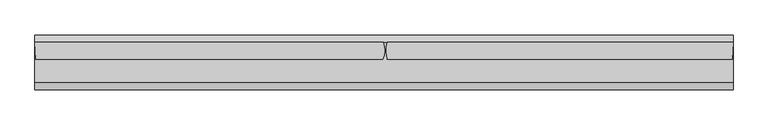
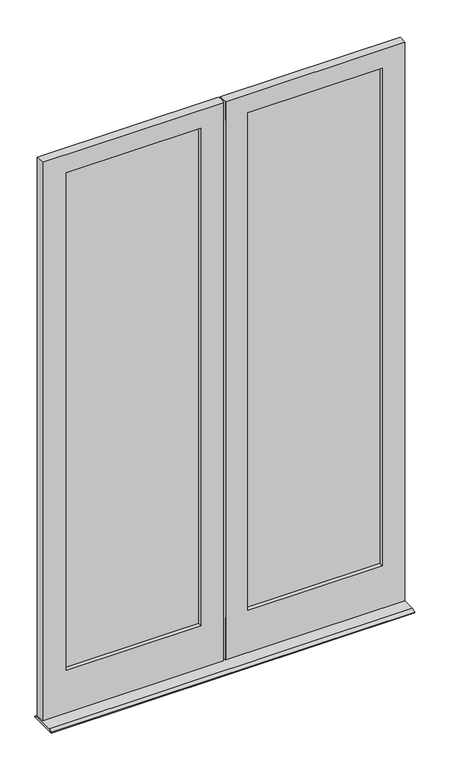
"""IFC4 building model written with IfcOpenShell, lengths in millimetres: plate geometry."""

from ifc_helpers import new_model, si_unit, frame, origin, place, context, project, spatial, polyline, circle_curve, outline, extrude, source, transform, mapped, element, save
from ifc_brep_helpers import plane_surface, cylinder_surface, advanced_brep


def plate_2573682e(model_context):
    return source(origin(), model_context, "Body", "SolidModel", [
        extrude(outline(polyline([(-102.39375, -24.1173), (-805.65625, -24.1173), (-805.65625, -20.9423), (-102.39375, -20.9423), (-102.39375, -24.1173)])), frame((0.0, 0.0, 226.615625), z_axis=(0.0, 0.0, 1.0), x_axis=(1.0, 0.0, 0.0)), (0.0, 0.0, 1.0), 2663.428125),
        extrude(outline(polyline([(-805.65625, -13.1953), (-102.39375, -13.1953), (-102.39375, -16.3703), (-805.65625, -16.3703), (-805.65625, -13.1953)])), frame((0.0, 0.0, 226.615625), z_axis=(0.0, 0.0, 1.0), x_axis=(1.0, 0.0, 0.0)), (0.0, 0.0, 1.0), 2663.428125),
        extrude(outline(polyline([(805.65625, -24.1173), (102.39375, -24.1173), (102.39375, -20.9423), (805.65625, -20.9423), (805.65625, -24.1173)])), frame((0.0, 0.0, 226.615625), z_axis=(0.0, 0.0, 1.0), x_axis=(1.0, 0.0, 0.0)), (0.0, 0.0, 1.0), 2663.428125),
        extrude(outline(polyline([(102.39375, -13.1953), (805.65625, -13.1953), (805.65625, -16.3703), (102.39375, -16.3703), (102.39375, -13.1953)])), frame((0.0, 0.0, 226.615625), z_axis=(0.0, 0.0, 1.0), x_axis=(1.0, 0.0, 0.0)), (0.0, 0.0, 1.0), 2663.428125),
        advanced_brep(
        [(-122.2375, -1.5875127, 2870.2), (-122.2375, -13.1920658, 2870.2), (-785.8124339, -13.1947929, 2870.2), (-785.8124339, -1.587502, 2870.2), (-102.39375, -13.1920658, 2890.04375), (-102.39375, -24.1171967, 2890.04375), (-805.65625, -24.1172867, 2890.04375), (-805.65625, -13.1948849, 2890.04375), (-117.4623, -24.1171967, 2874.9752), (-117.4623, -46.0375, 2874.9752), (-790.5876387, -46.0375, 2874.9752), (-790.5876387, -24.1172845, 2874.9752), (-122.2375, -1.5875127, 246.0621956), (-785.8124339, -1.5875127, 246.0621956), (-785.8124339, -13.1950408, 246.0621956), (-122.2375, -13.1920658, 246.0621956), (-805.65625, -24.1171967, 226.615625), (-102.39375, -24.1171967, 226.615625), (-102.39375, -13.1920658, 226.615625), (-805.65625, -13.1920658, 226.615625), (-117.4623, -24.1171967, 241.2869956), (-790.5876387, -24.1171967, 241.2869956), (-790.5876387, -46.0375, 241.2869956), (-117.4623, -46.0375, 241.2869956), (-909.2069413, -46.0375, 17.4625), (-909.2069413, -46.0375, 2971.8), (-911.9755413, -1.5875, 2971.8), (-911.9755413, -1.5875, 17.4625), (-5.6038924, -46.0375, 2971.8), (-4.4292042, -1.5875127, 2971.8), (-4.4292042, -1.5875127, 17.4625), (-5.6038924, -46.0375, 17.4625)],
        [
            (0, 1),
            (1, 2),
            (2, 3),
            (3, 0),
            (4, 5),
            (5, 6),
            (6, 7),
            (7, 4),
            (8, 9),
            (9, 10),
            (10, 11),
            (11, 8),
            (12, 13),
            (13, 14),
            (14, 15),
            (15, 12),
            (16, 17),
            (17, 18),
            (18, 19),
            (19, 16),
            (20, 21),
            (21, 22),
            (22, 23),
            (23, 20),
            (24, 25),
            (25, 26),
            (26, 27),
            (27, 24),
            (10, 22),
            (21, 11),
            (19, 7),
            (6, 16),
            (2, 14),
            (13, 3),
            (0, 12),
            (15, 1),
            (17, 5),
            (4, 18),
            (8, 20),
            (23, 9),
            (28, 29, circle_curve(frame((-65.0875, -22.225, 2971.8), z_axis=(0.0, 0.0, 1.0), x_axis=(0.0, -1.0, 0.0)), 64.0728861)),
            (29, 26),
            (25, 28),
            (30, 31, circle_curve(frame((-65.0875, -22.225, 17.4625), z_axis=(0.0, 0.0, -1.0), x_axis=(0.0, -1.0, 0.0)), 64.0728861)),
            (31, 24),
            (27, 30),
            (31, 28),
            (29, 30),
        ],
        [
            plane_surface(frame((-909.2069413, -1.5875, 2870.2), z_axis=(0.0, 0.0, -1.0), x_axis=(1.0, 0.0, 0.0))),
            plane_surface(frame((-909.2069413, -13.1953, 2890.04375), z_axis=(0.0, 0.0, -1.0), x_axis=(1.0, 0.0, 0.0))),
            plane_surface(frame((-909.2069413, -24.1173, 2874.9752), z_axis=(0.0, 0.0, -1.0), x_axis=(1.0, 0.0, 0.0))),
            plane_surface(frame((-5.5889985, -1.5875, 246.0621956), z_axis=(0.0, 0.0, 1.0), x_axis=(-1.0, 0.0, 0.0))),
            plane_surface(frame((-5.5889985, -13.1953, 226.615625), z_axis=(0.0, 0.0, 1.0), x_axis=(-1.0, 0.0, 0.0))),
            plane_surface(frame((-5.5889985, -24.1173, 241.2869956), z_axis=(0.0, 0.0, 1.0), x_axis=(-1.0, 0.0, 0.0))),
            plane_surface(frame((-911.9755413, -1.5875, 2971.8), z_axis=(-0.998065870687917, -0.062165245660017444, 0.0), x_axis=(0.0, 0.0, -1.0))),
            plane_surface(frame((-790.5876387, -46.0375, 2971.8), z_axis=(1.0, 0.0, 0.0), x_axis=(0.0, 0.0, -1.0))),
            plane_surface(frame((-805.65625, -24.1173, 2971.8), z_axis=(1.0, 0.0, 0.0), x_axis=(0.0, 0.0, -1.0))),
            plane_surface(frame((-785.8124339, -13.1953, 2971.8), z_axis=(1.0, 0.0, 0.0), x_axis=(0.0, 0.0, -1.0))),
            plane_surface(frame((-122.2375, -1.5875127, 2971.8), z_axis=(-1.0, 0.0, 0.0), x_axis=(0.0, 0.0, -1.0))),
            plane_surface(frame((-102.39375, -13.1920658, 2971.8), z_axis=(-1.0, 0.0, 0.0), x_axis=(0.0, 0.0, -1.0))),
            plane_surface(frame((-117.4623, -24.1171967, 2971.8), z_axis=(-1.0, 0.0, 0.0), x_axis=(0.0, 0.0, -1.0))),
            plane_surface(frame((5.5889985, -46.0375, 2971.8), z_axis=(0.0, 0.0, 1.0), x_axis=(1.0, 0.0, 0.0))),
            plane_surface(frame((895.1066401, -18.6563, 17.4625), z_axis=(0.0, 0.0, -1.0), x_axis=(0.0, -1.0, 0.0))),
            plane_surface(frame((-55.4591402, -46.0375, 2971.8), z_axis=(0.0, -1.0, 0.0), x_axis=(0.0, 0.0, -1.0))),
            plane_surface(frame((-55.4591402, -1.5875127, 2971.8), z_axis=(0.0, 1.0, 0.0), x_axis=(0.0, 0.0, -1.0))),
            plane_surface(frame((-122.2375, -13.1920658, 2971.8), z_axis=(0.0, -1.0, 0.0), x_axis=(0.0, 0.0, -1.0))),
            plane_surface(frame((-102.39375, -24.1171967, 2971.8), z_axis=(0.0, 1.0, 0.0), x_axis=(0.0, 0.0, -1.0))),
            cylinder_surface(frame((-65.0875, -22.225, 2971.8), z_axis=(0.0, 0.0, 1.0), x_axis=(0.0, -1.0, 0.0)), 64.0728861),
        ],
        [
            (0, [[1, 2, 3, 4]]),
            (1, [[5, 6, 7, 8]]),
            (2, [[9, 10, 11, 12]]),
            (3, [[13, 14, 15, 16]]),
            (4, [[17, 18, 19, 20]]),
            (5, [[21, 22, 23, 24]]),
            (6, [[25, 26, 27, 28]]),
            (7, [[-11, 29, -22, 30]]),
            (8, [[31, -7, 32, -20]]),
            (9, [[-3, 33, -14, 34]]),
            (10, [[-1, 35, -16, 36]]),
            (11, [[37, -5, 38, -18]]),
            (12, [[-9, 39, -24, 40]]),
            (13, [[41, 42, -26, 43]]),
            (14, [[44, 45, -28, 46]]),
            (15, [[-45, 47, -43, -25], [-40, -23, -29, -10]]),
            (16, [[48, -46, -27, -42], [-34, -13, -35, -4]]),
            (17, [[-8, -31, -19, -38], [-2, -36, -15, -33]]),
            (18, [[-6, -37, -17, -32], [-12, -30, -21, -39]]),
            (19, [[-41, -47, -44, -48]]),
        ],
    ),
        advanced_brep(
        [(117.4623, -46.0375, 2874.9752), (117.4623, -46.0375, 241.2869956), (117.4623, -24.1172864, 241.2869956), (117.4623, -24.1173, 2874.9752), (102.39375, -13.1953, 2890.04375), (102.39375, -24.1173, 2890.04375), (102.39375, -24.1173, 226.615625), (102.39375, -13.1953, 226.615625), (122.2375, -13.1953, 2870.2), (122.2375, -13.1953, 246.0621956), (122.2375, -1.5875017, 246.0621956), (122.2375, -1.5875, 2870.2), (785.8125, -13.1953, 2870.2), (785.8125, -1.5875, 2870.2), (785.8125, -1.5875117, 246.0621956), (785.8125, -13.192325, 246.0621956), (805.65625, -24.1173, 2890.04375), (805.65625, -13.1953, 2890.04375), (805.65625, -13.1923013, 226.615625), (805.65625, -24.1172043, 226.615625), (790.5877, -46.0375, 2874.9752), (790.5877, -24.1173, 2874.9752), (790.5877, -24.1172048, 241.2869956), (790.5877, -46.0375, 241.2869956), (906.4624992, -1.5875127, 2971.8), (903.6939, -46.0375, 2971.8), (903.6939, -46.0375, 17.4625), (906.4624992, -1.5875127, 17.4625), (5.5889985, -46.0375, 2874.9752), (5.5889985, -42.7965476, 2874.9752), (6.380646, -46.0375, 2874.9752), (5.5889985, -46.0375, 241.2869956), (6.380646, -46.0375, 241.2869956), (5.5889985, -42.7965476, 241.2869956), (5.5889985, -1.5875, 2971.8), (5.5889985, -42.7965476, 2971.8), (5.5889985, -46.0375, 2971.8), (5.5889985, -46.0375, 17.4625), (5.5889985, -1.5875, 17.4625), (5.5889985, -42.7965476, 17.4625)],
        [
            (0, 1),
            (1, 2),
            (2, 3),
            (3, 0),
            (4, 5),
            (5, 6),
            (6, 7),
            (7, 4),
            (8, 9),
            (9, 10),
            (10, 11),
            (11, 8),
            (12, 13),
            (13, 14),
            (14, 15),
            (15, 12),
            (16, 17),
            (17, 18),
            (18, 19),
            (19, 16),
            (20, 21),
            (21, 22),
            (22, 23),
            (23, 20),
            (24, 25),
            (25, 26),
            (26, 27),
            (27, 24),
            (12, 8),
            (11, 13),
            (16, 5),
            (4, 17),
            (20, 0),
            (3, 21),
            (28, 29),
            (29, 30, circle_curve(frame((96.8375, -22.225, 2874.9752), z_axis=(0.0, 0.0, 1.0), x_axis=(0.0, -1.0, 0.0)), 93.5386423)),
            (30, 28),
            (14, 10),
            (9, 15),
            (18, 7),
            (6, 19),
            (22, 2),
            (1, 23),
            (31, 32),
            (32, 33, circle_curve(frame((96.8375, -22.225, 241.2869956), z_axis=(0.0, 0.0, -1.0), x_axis=(0.0, -1.0, 0.0)), 93.5386423)),
            (33, 31),
            (24, 34),
            (34, 35, circle_curve(frame((96.8375, -22.225, 2971.8), z_axis=(0.0, 0.0, 1.0), x_axis=(0.0, -1.0, 0.0)), 93.5386423)),
            (35, 36),
            (36, 25),
            (36, 28),
            (30, 32),
            (31, 37),
            (37, 26),
            (27, 38),
            (38, 34),
            (37, 39),
            (39, 38, circle_curve(frame((96.8375, -22.225, 17.4625), z_axis=(0.0, 0.0, -1.0), x_axis=(0.0, -1.0, 0.0)), 93.5386423)),
            (39, 33),
            (29, 35),
        ],
        [
            plane_surface(frame((117.4623, -46.0375, 2971.8), z_axis=(1.0, 0.0, 0.0), x_axis=(0.0, 0.0, -1.0))),
            plane_surface(frame((102.39375, -24.1171967, 2971.8), z_axis=(1.0, 0.0, 0.0), x_axis=(0.0, 0.0, -1.0))),
            plane_surface(frame((122.2375, -13.1920658, 2971.8), z_axis=(1.0, 0.0, 0.0), x_axis=(0.0, 0.0, -1.0))),
            plane_surface(frame((785.8125, -1.5875127, 2971.8), z_axis=(-1.0, 0.0, 0.0), x_axis=(0.0, 0.0, -1.0))),
            plane_surface(frame((805.65625, -13.1920658, 2971.8), z_axis=(-1.0, 0.0, 0.0), x_axis=(0.0, 0.0, -1.0))),
            plane_surface(frame((790.5877, -24.1171967, 2971.8), z_axis=(-1.0, 0.0, 0.0), x_axis=(0.0, 0.0, -1.0))),
            plane_surface(frame((903.6939, -46.0375, 2971.8), z_axis=(0.9980658706878365, -0.06216524566130967, 0.0), x_axis=(0.0, 0.0, -1.0))),
            plane_surface(frame((5.5889985, -1.5875, 2870.2), z_axis=(0.0, 0.0, -1.0), x_axis=(1.0, 0.0, 0.0))),
            plane_surface(frame((5.5889985, -13.1953, 2890.04375), z_axis=(0.0, 0.0, -1.0), x_axis=(1.0, 0.0, 0.0))),
            plane_surface(frame((5.5889985, -24.1173, 2874.9752), z_axis=(0.0, 0.0, -1.0), x_axis=(1.0, 0.0, 0.0))),
            plane_surface(frame((903.6939, -1.5875, 246.0621956), z_axis=(0.0, 0.0, 1.0), x_axis=(-1.0, 0.0, 0.0))),
            plane_surface(frame((903.6939, -13.1953, 226.615625), z_axis=(0.0, 0.0, 1.0), x_axis=(-1.0, 0.0, 0.0))),
            plane_surface(frame((903.6939, -24.1173, 241.2869956), z_axis=(0.0, 0.0, 1.0), x_axis=(-1.0, 0.0, 0.0))),
            plane_surface(frame((5.5889985, -46.0375, 2971.8), z_axis=(0.0, 0.0, 1.0), x_axis=(1.0, 0.0, 0.0))),
            plane_surface(frame((5.5889985, -46.0375, 2917.9315348), z_axis=(0.0, -1.0, 0.0), x_axis=(1.0, 0.0, 0.0))),
            plane_surface(frame((5.5889985, -1.5875, 2917.9315348), z_axis=(0.0, 1.0, 0.0), x_axis=(1.0, 0.0, 0.0))),
            plane_surface(frame((5.5889985, -13.1953, 2870.2), z_axis=(0.0, -1.0, 0.0), x_axis=(1.0, 0.0, 0.0))),
            plane_surface(frame((5.5889985, -24.1173, 2890.04375), z_axis=(0.0, 1.0, 0.0), x_axis=(1.0, 0.0, 0.0))),
            plane_surface(frame((895.1066401, -18.6563, 17.4625), z_axis=(0.0, 0.0, -1.0), x_axis=(0.0, -1.0, 0.0))),
            cylinder_surface(frame((96.8375, -22.225, 2971.8), z_axis=(0.0, 0.0, 1.0), x_axis=(0.0, -1.0, 0.0)), 93.5386423),
            plane_surface(frame((5.5889985, -18.6563, 2987.675), z_axis=(-1.0, 0.0, 0.0), x_axis=(0.0, -1.0, 0.0))),
            plane_surface(frame((5.5889985, -18.6563, 0.0), z_axis=(-1.0, 0.0, 0.0), x_axis=(0.0, -1.0, 0.0))),
        ],
        [
            (0, [[1, 2, 3, 4]]),
            (1, [[5, 6, 7, 8]]),
            (2, [[9, 10, 11, 12]]),
            (3, [[13, 14, 15, 16]]),
            (4, [[17, 18, 19, 20]]),
            (5, [[21, 22, 23, 24]]),
            (6, [[25, 26, 27, 28]]),
            (7, [[-13, 29, -12, 30]]),
            (8, [[-17, 31, -5, 32]]),
            (9, [[-21, 33, -4, 34]]),
            (9, [[35, 36, 37]]),
            (10, [[-15, 38, -10, 39]]),
            (11, [[-19, 40, -7, 41]]),
            (12, [[-23, 42, -2, 43]]),
            (12, [[44, 45, 46]]),
            (13, [[-25, 47, 48, 49, 50]]),
            (14, [[51, -37, 52, -44, 53, 54, -26, -50], [-24, -43, -1, -33]]),
            (15, [[-28, 55, 56, -47], [-14, -30, -11, -38]]),
            (16, [[-18, -32, -8, -40], [-16, -39, -9, -29]]),
            (17, [[-20, -41, -6, -31], [-22, -34, -3, -42]]),
            (18, [[-27, -54, 57, 58, -55]]),
            (19, [[-48, -56, -58, 59, -45, -52, -36, 60]]),
            (20, [[-51, -49, -60, -35]]),
            (21, [[-53, -46, -59, -57]]),
        ],
    ),
        extrude(outline(polyline([(-1.5881087, 12.7), (17.4625, 3.1746956), (17.4625, 0.0), (-125.4125, 0.0), (-125.4125, 3.1746956), (-106.3618913, 12.7), (-1.5881087, 12.7)])), frame((-911.9755413, 0.0, 0.0), z_axis=(1.0, 0.0, 0.0), x_axis=(0.0, 1.0, 0.0)), (0.0, 0.0, 1.0), 1818.4380405),
    ])


if __name__ == "__main__":
    model = new_model("IFC4")
    model_context = context("Model", 3, world=origin())
    ifc_project = project(units=[si_unit("LENGTHUNIT", "METRE", prefix="MILLI")], contexts=[model_context])
    site = spatial("IfcSite", under=ifc_project)
    building = spatial("IfcBuilding", under=site)
    placement = place(None, origin())
    plate_shape = plate_2573682e(model_context)
    element("IfcPlate", 1, at=placement, inside=building, context=model_context, shape_type="MappedRepresentation", body=[
        mapped(plate_shape, transform((0.0, 0.0, 0.0), x_axis=(1.0, 0.0, 0.0), y_axis=(0.0, 1.0, 0.0), z_axis=(0.0, 0.0, 1.0))),
    ])
    save(model, "model.ifc")
